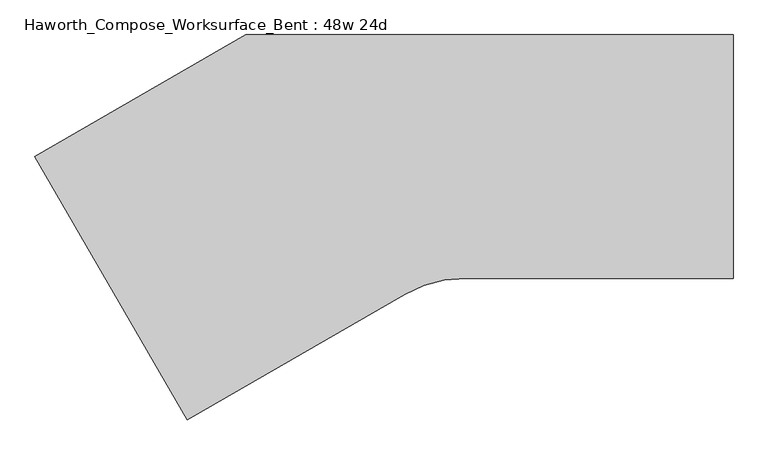
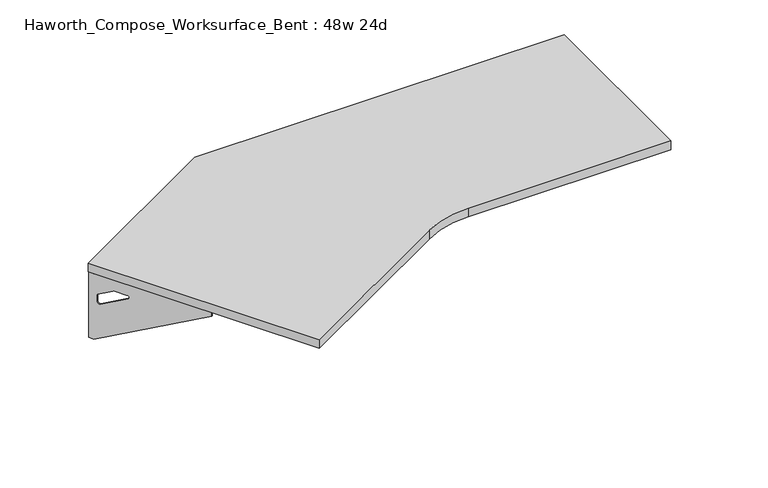
"""IFC4 building model written with IfcOpenShell, lengths in millimetres: furniture geometry, Haworth_Compose_Worksurface_Bent : 48w 24d."""

from ifc_helpers import new_model, si_unit, point, frame, frame_2d, origin, place, context, project, spatial, polyline, circle_curve, trimmed, segment, composite_curve, outline, extrude, source, transform, mapped, element, save
from ifc_brep_helpers import plane_surface, revolved_surface, advanced_brep


def haworth_compose_worksurface_bent_48w_24d_abdd0d6e(model_context):
    return source(origin(), model_context, "Body", "SolidModel", [
        advanced_brep(
        [(451.64375, 304.8, 475.45625), (451.64375, 288.925, 475.45625), (451.64375, -101.6, 691.7192568), (451.64375, -101.6, 704.05625), (451.64375, 288.925, 704.05625), (451.64375, 304.8, 704.05625), (451.64375, 221.490072, 665.95625), (451.64375, 177.8355284, 665.95625), (451.64375, 175.1564235, 656.3705539), (451.64375, 266.8776173, 605.5776439), (451.64375, 276.225, 611.1756969), (451.64375, 276.225, 634.6860246), (451.64375, 274.4730055, 637.5242776), (451.64375, 224.5663437, 665.1613425), (454.025, 304.8, 475.45625), (454.025, 304.8, 704.05625), (454.025, 288.925, 704.05625), (454.025, 288.925, 706.4375), (454.025, -101.6, 706.4375), (454.025, -101.6, 691.7192568), (454.025, 288.925, 475.45625), (454.025, 221.490072, 665.95625), (454.025, 224.5663437, 665.1613425), (454.025, 274.4730055, 637.5242776), (454.025, 276.225, 634.6860246), (454.025, 276.225, 611.1756969), (454.025, 266.8776173, 605.5776439), (454.025, 175.1564235, 656.3705539), (454.025, 177.8355284, 665.95625), (412.75, -101.6, 706.4375), (412.75, -101.6, 704.05625), (412.75, 288.925, 704.05625), (412.75, 288.925, 706.4375)],
        [
            (0, 1),
            (1, 2),
            (2, 3),
            (3, 4),
            (4, 5),
            (5, 0),
            (6, 7),
            (7, 8, circle_curve(frame((451.64375, 177.8355284, 660.7890106), z_axis=(1.0, 0.0, 0.0), x_axis=(0.0, -1.0, 0.0)), 5.1672394)),
            (8, 9),
            (9, 10, circle_curve(frame((451.64375, 269.875, 611.1756969), z_axis=(1.0, 0.0, 0.0), x_axis=(0.0, -1.0, 0.0)), 6.35)),
            (10, 11),
            (11, 12, circle_curve(frame((451.64375, 273.05, 634.6860246), z_axis=(1.0, 0.0, 0.0), x_axis=(0.0, -1.0, 0.0)), 3.175)),
            (12, 13),
            (13, 6, circle_curve(frame((451.64375, 221.490072, 659.60625), z_axis=(1.0, 0.0, 0.0), x_axis=(0.0, -1.0, 0.0)), 6.35)),
            (14, 15),
            (15, 16),
            (16, 17),
            (17, 18),
            (18, 19),
            (19, 20),
            (20, 14),
            (21, 22, circle_curve(frame((454.025, 221.490072, 659.60625), z_axis=(-1.0, 0.0, 0.0), x_axis=(0.0, -1.0, 0.0)), 6.35)),
            (22, 23),
            (23, 24, circle_curve(frame((454.025, 273.05, 634.6860246), z_axis=(-1.0, 0.0, 0.0), x_axis=(0.0, -1.0, 0.0)), 3.175)),
            (24, 25),
            (25, 26, circle_curve(frame((454.025, 269.875, 611.1756969), z_axis=(-1.0, 0.0, 0.0), x_axis=(0.0, -1.0, 0.0)), 6.35)),
            (26, 27),
            (27, 28, circle_curve(frame((454.025, 177.8355284, 660.7890106), z_axis=(-1.0, 0.0, 0.0), x_axis=(0.0, -1.0, 0.0)), 5.1672394)),
            (28, 21),
            (4, 16),
            (15, 5),
            (14, 0),
            (20, 1),
            (19, 2),
            (18, 29),
            (29, 30),
            (30, 3),
            (6, 21),
            (28, 7),
            (9, 26),
            (25, 10),
            (24, 11),
            (23, 12),
            (27, 8),
            (31, 4),
            (30, 31),
            (32, 29),
            (17, 32),
            (31, 32),
            (22, 13),
        ],
        [
            plane_surface(frame((451.64375, 304.8, 475.45625), z_axis=(-1.0, 0.0, 0.0), x_axis=(0.0, 1.0, 0.0))),
            plane_surface(frame((454.025, 304.8, 475.45625), z_axis=(1.0, 0.0, 0.0), x_axis=(0.0, -1.0, 0.0))),
            plane_surface(frame((454.025, -101.6, 704.05625), z_axis=(0.0, 0.0, 1.0), x_axis=(-1.0, 0.0, 0.0))),
            plane_surface(frame((454.025, 304.8, 704.05625), z_axis=(0.0, 1.0, 0.0), x_axis=(-1.0, 0.0, 0.0))),
            plane_surface(frame((454.025, 304.8, 475.45625), z_axis=(0.0, 0.0, -1.0), x_axis=(-1.0, 0.0, 0.0))),
            plane_surface(frame((454.025, 288.925, 475.45625), z_axis=(0.0, -0.48445223513455843, -0.8748177135112952), x_axis=(-1.0, 0.0, 0.0))),
            plane_surface(frame((454.025, -101.6, 691.7192568), z_axis=(0.0, -1.0, 0.0), x_axis=(-1.0, 0.0, 0.0))),
            plane_surface(frame((454.025, 221.490072, 665.95625), z_axis=(0.0, 0.0, -1.0), x_axis=(-1.0, 0.0, 0.0))),
            revolved_surface(polyline([(451.64375, 263.525, 611.1756969), (454.025, 263.525, 611.1756969)]), (454.025, 269.875, 611.1756969), (-1.0, 0.0, 0.0)),
            plane_surface(frame((454.025, 276.225, 611.1756969), z_axis=(0.0, -1.0, 0.0), x_axis=(-1.0, 0.0, 0.0))),
            revolved_surface(polyline([(451.64375, 269.875, 634.6860246), (454.025, 269.875, 634.6860246)]), (454.025, 273.05, 634.6860246), (-1.0, 0.0, 0.0)),
            revolved_surface(polyline([(451.64375, 172.668289, 660.7890106), (454.025, 172.668289, 660.7890106)]), (454.025, 177.8355284, 660.7890106), (-1.0, 0.0, 0.0)),
            plane_surface(frame((454.025, 288.925, 704.05625), z_axis=(0.0, 0.0, -1.0), x_axis=(-1.0, 0.0, 0.0))),
            plane_surface(frame((454.025, 288.925, 706.4375), z_axis=(0.0, 0.0, 1.0), x_axis=(1.0, 0.0, 0.0))),
            plane_surface(frame((412.75, 288.925, 706.4375), z_axis=(0.0, 1.0, 0.0), x_axis=(0.0, 0.0, -1.0))),
            plane_surface(frame((412.75, -101.6, 706.4375), z_axis=(-1.0, 0.0, 0.0), x_axis=(0.0, 0.0, -1.0))),
            plane_surface(frame((454.025, 175.1564235, 656.3705539), z_axis=(0.0, 0.4844522351345583, 0.8748177135112953), x_axis=(-1.0, 0.0, 0.0))),
            plane_surface(frame((454.025, 274.4730055, 637.5242776), z_axis=(0.0, -0.4844522351345582, -0.8748177135112953), x_axis=(-1.0, 0.0, 0.0))),
            revolved_surface(polyline([(451.64375, 215.140072, 659.60625), (454.025, 215.140072, 659.60625)]), (454.025, 221.490072, 659.60625), (-1.0, 0.0, 0.0)),
        ],
        [
            (0, [[1, 2, 3, 4, 5, 6], [7, 8, 9, 10, 11, 12, 13, 14]]),
            (1, [[15, 16, 17, 18, 19, 20, 21], [22, 23, 24, 25, 26, 27, 28, 29]]),
            (2, [[-5, 30, -16, 31]]),
            (3, [[-31, -15, 32, -6]]),
            (4, [[-32, -21, 33, -1]]),
            (5, [[-33, -20, 34, -2]]),
            (6, [[-34, -19, 35, 36, 37, -3]]),
            (7, [[38, -29, 39, -7]]),
            (8, [[40, -26, 41, -10]]),
            (9, [[-41, -25, 42, -11]]),
            (10, [[-42, -24, 43, -12]]),
            (11, [[-39, -28, 44, -8]]),
            (12, [[45, -4, -37, 46]]),
            (13, [[47, -35, -18, 48]]),
            (14, [[-17, -30, -45, 49, -48]]),
            (15, [[-36, -47, -49, -46]]),
            (16, [[-44, -27, -40, -9]]),
            (17, [[-43, -23, 50, -13]]),
            (18, [[-50, -22, -38, -14]]),
        ],
    ),
        advanced_brep(
        [(-1285.1172325, 2.778125, 475.45625), (-1285.1172325, 2.778125, 704.05625), (-1277.1797325, -10.9700283, 704.05625), (-1081.9172325, -349.1745991, 704.05625), (-1081.9172325, -349.1745991, 691.7192568), (-1277.1797325, -10.9700283, 475.45625), (-1243.4622685, -69.370389, 665.95625), (-1245.0004043, -66.7062596, 665.1613425), (-1269.9537353, -23.4858226, 637.5242776), (-1270.8297325, -21.9685509, 634.6860246), (-1270.8297325, -21.9685509, 611.1756969), (-1266.1560412, -30.0636218, 605.5776439), (-1220.2954442, -109.4965057, 656.3705539), (-1221.6349967, -107.1763328, 665.95625), (-1287.1794555, 1.5875, 475.45625), (-1279.2419555, -12.1606533, 475.45625), (-1083.9794555, -350.3652241, 691.7192568), (-1083.9794555, -350.3652241, 706.4375), (-1279.2419555, -12.1606533, 706.4375), (-1279.2419555, -12.1606533, 704.05625), (-1287.1794555, 1.5875, 704.05625), (-1245.5244915, -70.561014, 665.95625), (-1223.6972197, -108.3669578, 665.95625), (-1222.3576672, -110.6871307, 656.3705539), (-1268.2182641, -31.2542468, 605.5776439), (-1272.8919555, -23.1591759, 611.1756969), (-1272.8919555, -23.1591759, 634.6860246), (-1272.0159583, -24.6764476, 637.5242776), (-1247.0626273, -67.8968846, 665.1613425), (-1048.2342569, -329.7277241, 704.05625), (-1048.2342569, -329.7277241, 706.4375), (-1243.4967569, 8.4768467, 704.05625), (-1243.4967569, 8.4768467, 706.4375)],
        [
            (0, 1),
            (1, 2),
            (2, 3),
            (3, 4),
            (4, 5),
            (5, 0),
            (6, 7, circle_curve(frame((-1243.4622685, -69.370389, 659.60625), z_axis=(-0.8660254037844367, -0.5000000000000036, 0.0), x_axis=(0.5000000000000034, -0.8660254037844365, 0.0)), 6.35)),
            (7, 8),
            (8, 9, circle_curve(frame((-1269.2422325, -24.7181816, 634.6860246), z_axis=(-0.8660254037844367, -0.5000000000000036, 0.0), x_axis=(0.5000000000000034, -0.8660254037844365, 0.0)), 3.175)),
            (9, 10),
            (10, 11, circle_curve(frame((-1267.6547325, -27.4678122, 611.1756969), z_axis=(-0.8660254037844367, -0.5000000000000036, 0.0), x_axis=(0.5000000000000034, -0.8660254037844365, 0.0)), 6.35)),
            (11, 12),
            (12, 13, circle_curve(frame((-1221.6349967, -107.1763328, 660.7890106), z_axis=(-0.8660254037844367, -0.5000000000000036, 0.0), x_axis=(0.5000000000000034, -0.8660254037844365, 0.0)), 5.1672394)),
            (13, 6),
            (14, 15),
            (15, 16),
            (16, 17),
            (17, 18),
            (18, 19),
            (19, 20),
            (20, 14),
            (21, 22),
            (22, 23, circle_curve(frame((-1223.6972197, -108.3669578, 660.7890106), z_axis=(0.8660254037844367, 0.5000000000000036, 0.0), x_axis=(0.5000000000000034, -0.8660254037844365, 0.0)), 5.1672394)),
            (23, 24),
            (24, 25, circle_curve(frame((-1269.7169555, -28.6584372, 611.1756969), z_axis=(0.8660254037844367, 0.5000000000000036, 0.0), x_axis=(0.5000000000000034, -0.8660254037844365, 0.0)), 6.35)),
            (25, 26),
            (26, 27, circle_curve(frame((-1271.3044555, -25.9088066, 634.6860246), z_axis=(0.8660254037844367, 0.5000000000000036, 0.0), x_axis=(0.5000000000000034, -0.8660254037844365, 0.0)), 3.175)),
            (27, 28),
            (28, 21, circle_curve(frame((-1245.5244915, -70.561014, 659.60625), z_axis=(0.8660254037844367, 0.5000000000000036, 0.0), x_axis=(0.5000000000000034, -0.8660254037844365, 0.0)), 6.35)),
            (1, 20),
            (19, 2),
            (0, 14),
            (5, 15),
            (4, 16),
            (3, 29),
            (29, 30),
            (30, 17),
            (13, 22),
            (21, 6),
            (10, 25),
            (24, 11),
            (9, 26),
            (8, 27),
            (12, 23),
            (31, 29),
            (2, 31),
            (32, 18),
            (30, 32),
            (32, 31),
            (7, 28),
        ],
        [
            plane_surface(frame((-1285.1172325, 2.778125, 475.45625), z_axis=(0.8660254037844367, 0.5000000000000036, 0.0), x_axis=(-0.5000000000000036, 0.8660254037844367, 0.0))),
            plane_surface(frame((-1287.1794555, 1.5875, 475.45625), z_axis=(-0.8660254037844367, -0.5000000000000036, 0.0), x_axis=(0.5000000000000036, -0.8660254037844367, 0.0))),
            plane_surface(frame((-1083.9794555, -350.3652241, 704.05625), z_axis=(0.0, 0.0, 1.0), x_axis=(0.8660254037844358, 0.500000000000005, 0.0))),
            plane_surface(frame((-1287.1794555, 1.5875, 704.05625), z_axis=(-0.500000000000005, 0.8660254037844358, 0.0), x_axis=(0.8660254037844358, 0.500000000000005, 0.0))),
            plane_surface(frame((-1287.1794555, 1.5875, 475.45625), z_axis=(0.0, 0.0, -1.0), x_axis=(0.8660254037844358, 0.500000000000005, 0.0))),
            plane_surface(frame((-1279.2419555, -12.1606533, 475.45625), z_axis=(0.24222611756728163, -0.41954794254667843, -0.8748177135112951), x_axis=(0.8660254037844358, 0.500000000000005, 0.0))),
            plane_surface(frame((-1083.9794555, -350.3652241, 691.7192568), z_axis=(0.500000000000005, -0.8660254037844358, 0.0), x_axis=(0.8660254037844358, 0.500000000000005, 0.0))),
            plane_surface(frame((-1245.5244915, -70.561014, 665.95625), z_axis=(0.0, 0.0, -1.0), x_axis=(0.8660254037844358, 0.500000000000005, 0.0))),
            revolved_surface(polyline([(-1264.4797325018096, -32.96707351089683, 611.1756969), (-1266.5419555060757, -34.15769851753894, 611.1756969)]), (-1269.7169555, -28.6584372, 611.1756969), (0.8660254037844365, 0.5000000000000034, 0.0)),
            plane_surface(frame((-1272.8919555, -23.1591759, 611.1756969), z_axis=(0.500000000000005, -0.8660254037844358, 0.0), x_axis=(0.8660254037844358, 0.500000000000005, 0.0))),
            revolved_surface(polyline([(-1267.6547324831968, -27.46781224313527, 634.6860246), (-1269.7169554999998, -28.658437257015585, 634.6860246)]), (-1271.3044555, -25.9088066, 634.6860246), (0.8660254037844365, 0.5000000000000034, 0.0)),
            revolved_surface(polyline([(-1219.0513769630957, -111.6512933623501, 660.7890106), (-1221.1136, -112.84191838783585, 660.7890106)]), (-1223.6972197, -108.3669578, 660.7890106), (0.8660254037844365, 0.5000000000000034, 0.0)),
            plane_surface(frame((-1279.2419555, -12.1606533, 704.05625), z_axis=(0.0, 0.0, -1.0), x_axis=(0.866025403784437, 0.5000000000000029, 0.0))),
            plane_surface(frame((-1279.2419555, -12.1606533, 706.4375), z_axis=(0.0, 0.0, 1.0), x_axis=(-0.866025403784437, -0.5000000000000029, 0.0))),
            plane_surface(frame((-1243.4967569, 8.4768467, 706.4375), z_axis=(-0.5000000000000029, 0.866025403784437, 0.0), x_axis=(0.0, 0.0, -1.0))),
            plane_surface(frame((-1048.2342569, -329.7277241, 706.4375), z_axis=(0.8660254037844367, 0.5000000000000036, 0.0), x_axis=(0.0, 0.0, -1.0))),
            plane_surface(frame((-1222.3576672, -110.6871307, 656.3705539), z_axis=(-0.24222611756728157, 0.4195479425466783, 0.8748177135112953), x_axis=(0.8660254037844358, 0.500000000000005, 0.0))),
            plane_surface(frame((-1272.0159583, -24.6764476, 637.5242776), z_axis=(0.24222611756728155, -0.41954794254667827, -0.8748177135112954), x_axis=(0.8660254037844358, 0.500000000000005, 0.0))),
            revolved_surface(polyline([(-1240.287268482125, -74.86965029953195, 659.60625), (-1242.3494915, -76.06027531403117, 659.60625)]), (-1245.5244915, -70.561014, 659.60625), (0.8660254037844365, 0.5000000000000034, 0.0)),
        ],
        [
            (0, [[1, 2, 3, 4, 5, 6], [7, 8, 9, 10, 11, 12, 13, 14]]),
            (1, [[15, 16, 17, 18, 19, 20, 21], [22, 23, 24, 25, 26, 27, 28, 29]]),
            (2, [[30, -20, 31, -2]]),
            (3, [[-1, 32, -21, -30]]),
            (4, [[-6, 33, -15, -32]]),
            (5, [[-5, 34, -16, -33]]),
            (6, [[-4, 35, 36, 37, -17, -34]]),
            (7, [[-14, 38, -22, 39]]),
            (8, [[-11, 40, -25, 41]]),
            (9, [[-10, 42, -26, -40]]),
            (10, [[-9, 43, -27, -42]]),
            (11, [[-13, 44, -23, -38]]),
            (12, [[45, -35, -3, 46]]),
            (13, [[47, -18, -37, 48]]),
            (14, [[-47, 49, -46, -31, -19]]),
            (15, [[-45, -49, -48, -36]]),
            (16, [[-12, -41, -24, -44]]),
            (17, [[-8, 50, -28, -43]]),
            (18, [[-7, -39, -29, -50]]),
        ],
    ),
        extrude(outline(composite_curve([segment(polyline([(-762.0, 304.8), (457.2, 304.8), (457.2, -304.8), (-212.1872584, -304.8)]), True, "CONTINUOUS"), segment(trimmed(circle_curve(frame_2d((-212.1872584, -609.6)), 304.8), [point((-212.1872584, -304.8))], [point((-364.5872584, -345.6354569))], True, "CARTESIAN"), True, "CONTINUOUS"), segment(polyline([(-364.5872584, -345.6354569), (-908.9290861, -659.9113577), (-1289.9290861, 0.0), (-762.0, 304.8)]), True, "CONTINUOUS")], self_intersect=False)), frame((0.0, 0.0, 706.4375), z_axis=(0.0, 0.0, 1.0), x_axis=(1.0, 0.0, 0.0)), (0.0, 0.0, 1.0), 30.1625),
    ])


if __name__ == "__main__":
    model = new_model("IFC4")
    model_context = context("Model", 3, world=origin())
    ifc_project = project(units=[si_unit("LENGTHUNIT", "METRE", prefix="MILLI")], contexts=[model_context])
    site = spatial("IfcSite", under=ifc_project)
    building = spatial("IfcBuilding", under=site)
    placement = place(None, origin())
    haworth_compose_worksurface_bent_48w_24d_shape = haworth_compose_worksurface_bent_48w_24d_abdd0d6e(model_context)
    element("IfcFurniture", 1, ObjectType="Haworth_Compose_Worksurface_Bent : 48w 24d", at=placement, inside=building, context=model_context, shape_type="MappedRepresentation", body=[
        mapped(haworth_compose_worksurface_bent_48w_24d_shape, transform((0.0, 0.0, 0.0), x_axis=(1.0, 0.0, 0.0), y_axis=(0.0, 1.0, 0.0), z_axis=(0.0, 0.0, 1.0))),
    ])
    save(model, "model.ifc")
